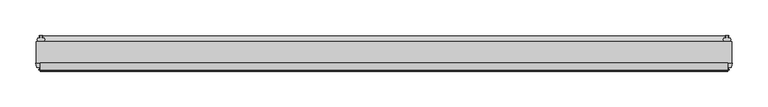
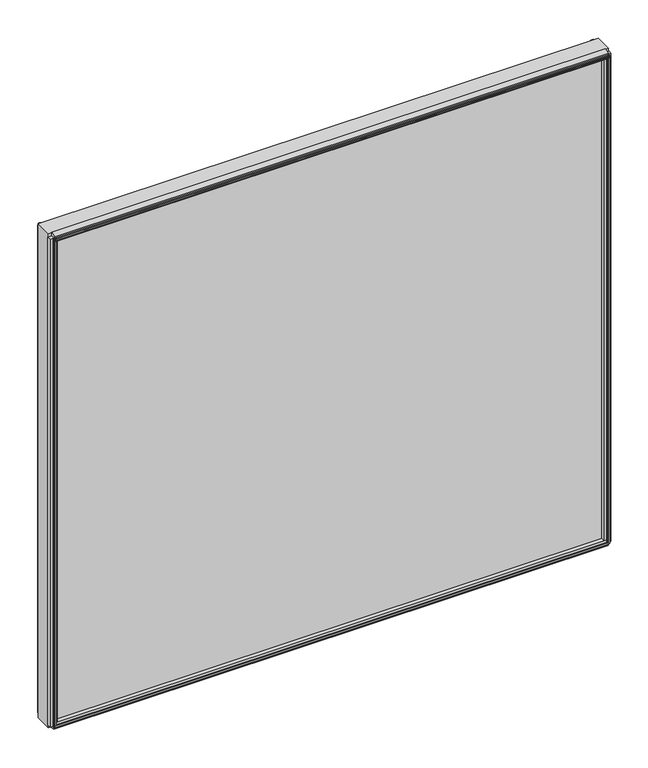
"""IFC4 building model written with IfcOpenShell, lengths in millimetres: plate geometry."""

from ifc_helpers import new_model, si_unit, point, frame, frame_2d, origin, place, context, project, spatial, polyline, circle_curve, trimmed, segment, composite_curve, outline, extrude, source, transform, mapped, element, save


def plate_bf357048(model_context):
    return source(origin(), model_context, "Body", "SweptSolid", [
        extrude(outline(polyline([(487.3, 0.0611188), (487.3, -30.0632812), (-487.3, -30.0632812), (-487.3, 0.0611188), (487.3, 0.0611188)])), frame((0.0, 0.0, -11.1125), z_axis=(0.0, 0.0, 1.0), x_axis=(1.0, 0.0, 0.0)), (0.0, 0.0, 1.0), 908.3330961),
        extrude(outline(composite_curve([segment(polyline([(8.0873088, 0.0002053), (5.6997088, 0.0001442)]), True, "CONTINUOUS"), segment(trimmed(circle_curve(frame_2d((5.6997289, -0.7872558)), 0.7874), [point((5.6997088, 0.0001442))], [point((4.9123289, -0.7872759))], True, "CARTESIAN"), True, "CONTINUOUS"), segment(polyline([(4.9123289, -0.7872759), (4.9123491, -1.5746759), (6.4871491, -1.5746356), (4.9125187, -7.3281779), (4.9125187, -8.2080719)]), True, "CONTINUOUS"), segment(trimmed(circle_curve(frame_2d((2.4868178, -8.16973)), 2.426004), [point((4.9125187, -8.2080719))], [point((0.0611188, -8.208196))], False, "CARTESIAN"), True, "CONTINUOUS"), segment(polyline([(0.0611188, -8.208196), (0.0611188, 5.8106117)]), True, "CONTINUOUS"), segment(trimmed(circle_curve(frame_2d((11.7432902, 13.4990678)), 13.9851882), [point((0.0611188, 5.8106117))], [point((8.0873088, 0.0002053))], True, "CARTESIAN"), True, "CONTINUOUS")], self_intersect=False)), frame((-481.74375, 0.0, 0.0), z_axis=(1.0, 0.0, 0.0), x_axis=(0.0, 1.0, 0.0)), (0.0, 0.0, 1.0), 963.4875),
        extrude(outline(polyline([(-39.5149036, -7.140847), (-39.2671431, -8.6868), (-40.0794863, -8.6868), (-40.4772812, -6.35), (-40.0622654, -4.0132), (-39.2489981, -4.0132), (-39.5092713, -5.5660571), (-36.7897626, -5.0931804), (-36.7897626, -0.8006079), (-30.0632812, 0.3636403), (-30.0632812, -13.1466842), (-36.798847, -11.9285134), (-36.798847, -7.6331642), (-39.5149036, -7.140847)])), frame((-481.74375, 0.0, 0.0), z_axis=(1.0, 0.0, 0.0), x_axis=(0.0, 1.0, 0.0)), (0.0, 0.0, 1.0), 963.4875),
        extrude(outline(polyline([(-30.0632813, 897.8124973), (-30.0632813, 883.4429092), (-36.7942812, 885.2120812), (-37.9052879, 889.3584144), (-40.6553872, 889.1211518), (-40.0090278, 887.6902863), (-40.7941323, 887.4799182), (-41.7914929, 889.6319096), (-42.003749, 891.9942691), (-41.2186445, 892.2046373), (-41.0629754, 890.6422917), (-38.5626883, 891.811866), (-39.6736949, 895.9581992), (-30.0632813, 897.8124973)])), frame((-481.74375, 0.0, 0.0), z_axis=(1.0, 0.0, 0.0), x_axis=(0.0, 1.0, 0.0)), (0.0, 0.0, 1.0), 963.4875),
        extrude(outline(polyline([(482.4959429, -39.5092713), (484.0444246, -39.2497314), (484.0473316, -40.0625262), (481.712, -40.4772812), (479.3737614, -40.0792415), (479.3737614, -39.2664467), (480.921153, -39.5149036), (480.4288273, -36.7987999), (476.1502005, -36.7987999), (474.9569, -30.0632812), (488.4671, -30.0632812), (487.2781205, -36.7744101), (482.9714891, -36.7744101), (482.4959429, -39.5092713)])), frame((0.0, 0.0, -5.55625), z_axis=(0.0, 0.0, 1.0), x_axis=(1.0, 0.0, 0.0)), (0.0, 0.0, 1.0), 897.2205961),
        extrude(outline(polyline([(480.1660571, 7.5513088), (478.6175754, 7.2917689), (478.6146684, 8.1045637), (480.95, 8.5193188), (483.2882386, 8.121279), (483.2882386, 7.3084842), (481.740847, 7.5569411), (482.2331727, 4.8408374), (485.7241409, 4.8408374), (486.2529556, 2.5845617), (485.7198338, 0.0611188), (476.1801662, 0.0611188), (475.6470444, 2.5845617), (476.1748, 4.8363188), (479.6939662, 4.8363188), (480.1660571, 7.5513088)])), frame((0.0, 0.0, -5.55625), z_axis=(0.0, 0.0, 1.0), x_axis=(1.0, 0.0, 0.0)), (0.0, 0.0, 1.0), 897.2205961),
        extrude(outline(polyline([(-482.4959429, -39.5092713), (-482.9714891, -36.7744101), (-487.2781205, -36.7744101), (-488.4671, -30.0632812), (-474.9569, -30.0632812), (-476.1502005, -36.7987999), (-480.4288273, -36.7987999), (-480.921153, -39.5149036), (-479.3737614, -39.2664467), (-479.3737614, -40.0792415), (-481.712, -40.4772812), (-484.0473316, -40.0625262), (-484.0444246, -39.2497314), (-482.4959429, -39.5092713)])), frame((0.0, 0.0, -5.55625), z_axis=(0.0, 0.0, 1.0), x_axis=(1.0, 0.0, 0.0)), (0.0, 0.0, 1.0), 897.2205961),
        extrude(outline(polyline([(-480.1660571, 7.5513088), (-479.6939662, 4.8363188), (-476.1748, 4.8363188), (-475.6470444, 2.5845617), (-476.1801662, 0.0611188), (-485.7198338, 0.0611188), (-486.2529556, 2.5845617), (-485.7241409, 4.8408374), (-482.2331727, 4.8408374), (-481.740847, 7.5569411), (-483.2882386, 7.3084842), (-483.2882386, 8.121279), (-480.95, 8.5193188), (-478.6146684, 8.1045637), (-478.6175754, 7.2917689), (-480.1660571, 7.5513088)])), frame((0.0, 0.0, -5.55625), z_axis=(0.0, 0.0, 1.0), x_axis=(1.0, 0.0, 0.0)), (0.0, 0.0, 1.0), 897.2205961),
    ])


if __name__ == "__main__":
    model = new_model("IFC4")
    model_context = context("Model", 3, world=origin())
    ifc_project = project(units=[si_unit("LENGTHUNIT", "METRE", prefix="MILLI")], contexts=[model_context])
    site = spatial("IfcSite", under=ifc_project)
    building = spatial("IfcBuilding", under=site)
    placement = place(None, origin())
    plate_shape = plate_bf357048(model_context)
    element("IfcPlate", 1, at=placement, inside=building, context=model_context, shape_type="MappedRepresentation", body=[
        mapped(plate_shape, transform((0.0, 0.0, 0.0), x_axis=(1.0, 0.0, 0.0), y_axis=(0.0, 1.0, 0.0), z_axis=(0.0, 0.0, 1.0))),
    ])
    save(model, "model.ifc")
